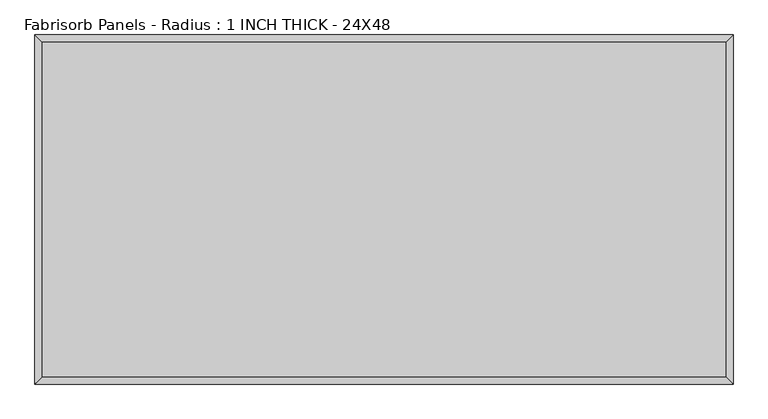
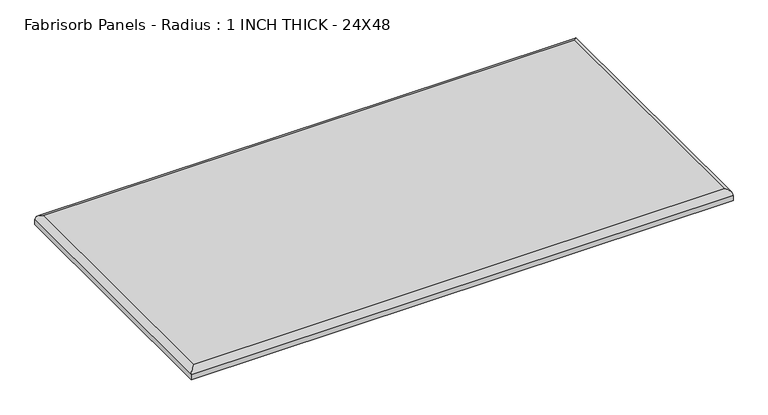
"""IFC4 building model written with IfcOpenShell, lengths in millimetres: proxy geometry, Fabrisorb Panels - Radius : 1 INCH THICK - 24X48."""

from ifc_helpers import new_model, si_unit, frame, origin, place, context, project, spatial, ellipse_curve, source, transform, mapped, element, save
from ifc_brep_helpers import plane_surface, cylinder_surface, advanced_brep


def fabrisorb_panels_radius_1_inch_thick_24x48_69f6940f(model_context):
    return source(origin(), model_context, "Body", "AdvancedBrep", [
        advanced_brep(
        [(596.9, 292.1, 25.4), (-596.9, 292.1, 25.4), (-596.9, -292.1, 25.4), (596.9, -292.1, 25.4), (-609.6, 304.8, 0.0), (609.6, 304.8, 0.0), (609.6, -304.8, 0.0), (-609.6, -304.8, 0.0), (-609.6, -304.8, 12.7), (-609.6, 304.8, 12.7), (609.6, -304.8, 12.7), (609.6, 304.8, 12.7)],
        [
            (0, 1),
            (1, 2),
            (2, 3),
            (3, 0),
            (4, 5),
            (5, 6),
            (6, 7),
            (7, 4),
            (7, 8),
            (8, 9),
            (9, 4),
            (6, 10),
            (10, 8),
            (5, 11),
            (11, 10),
            (9, 11),
            (9, 1, ellipse_curve(frame((-596.9, 292.1, 12.7), z_axis=(0.7071067811865478, 0.7071067811865474, 0.0), x_axis=(-0.7071067811865471, 0.7071067811865479, 0.0)), 17.9605122, 12.7)),
            (0, 11, ellipse_curve(frame((596.9, 292.1, 12.7), z_axis=(-0.7071067811865474, 0.7071067811865477, 0.0), x_axis=(-0.7071067811865478, -0.7071067811865474, 0.0)), 17.9605122, 12.7)),
            (8, 2, ellipse_curve(frame((-596.9, -292.1, 12.7), z_axis=(-0.7071067811865472, 0.7071067811865477, 0.0), x_axis=(-0.7071067811865476, -0.7071067811865475, 0.0)), 17.9605122, 12.7)),
            (10, 3, ellipse_curve(frame((596.9, -292.1, 12.7), z_axis=(-0.7071067811865477, -0.7071067811865474, 0.0), x_axis=(0.7071067811865474, -0.7071067811865476, 0.0)), 17.9605122, 12.7)),
        ],
        [
            plane_surface(frame((-609.6, 304.8, 25.4), z_axis=(0.0, 0.0, 1.0), x_axis=(0.0, -1.0, 0.0))),
            plane_surface(frame((-609.6, 304.8, 0.0), z_axis=(0.0, 0.0, -1.0), x_axis=(0.0, 1.0, 0.0))),
            plane_surface(frame((-609.6, 304.8, 25.4), z_axis=(-1.0, 0.0, 0.0), x_axis=(0.0, 0.0, -1.0))),
            plane_surface(frame((-609.6, -304.8, 25.4), z_axis=(0.0, -1.0, 0.0), x_axis=(0.0, 0.0, -1.0))),
            plane_surface(frame((609.6, -304.8, 25.4), z_axis=(1.0, 0.0, 0.0), x_axis=(0.0, 0.0, -1.0))),
            plane_surface(frame((609.6, 304.8, 25.4), z_axis=(0.0, 1.0, 0.0), x_axis=(0.0, 0.0, -1.0))),
            cylinder_surface(frame((609.6, 292.1, 12.7), z_axis=(-1.0, 0.0, 0.0), x_axis=(0.0, 1.0, 0.0)), 12.7),
            cylinder_surface(frame((-596.9, 304.8, 12.7), z_axis=(0.0, -1.0, 0.0), x_axis=(-1.0, 0.0, 0.0)), 12.7),
            cylinder_surface(frame((-609.6, -292.1, 12.7), z_axis=(1.0, 0.0, 0.0), x_axis=(0.0, -1.0, 0.0)), 12.7),
            cylinder_surface(frame((596.9, -304.8, 12.7), z_axis=(0.0, 1.0, 0.0), x_axis=(1.0, 0.0, 0.0)), 12.7),
        ],
        [
            (0, [[1, 2, 3, 4]]),
            (1, [[5, 6, 7, 8]]),
            (2, [[-8, 9, 10, 11]]),
            (3, [[-7, 12, 13, -9]]),
            (4, [[-6, 14, 15, -12]]),
            (5, [[-5, -11, 16, -14]]),
            (6, [[17, -1, 18, -16]]),
            (7, [[-17, -10, 19, -2]]),
            (8, [[-19, -13, 20, -3]]),
            (9, [[-18, -4, -20, -15]]),
        ],
    ),
    ])


if __name__ == "__main__":
    model = new_model("IFC4")
    model_context = context("Model", 3, world=origin())
    ifc_project = project(units=[si_unit("LENGTHUNIT", "METRE", prefix="MILLI")], contexts=[model_context])
    site = spatial("IfcSite", under=ifc_project)
    building = spatial("IfcBuilding", under=site)
    placement = place(None, origin())
    fabrisorb_panels_radius_1_inch_thick_24x48_shape = fabrisorb_panels_radius_1_inch_thick_24x48_69f6940f(model_context)
    element("IfcBuildingElementProxy", 1, Name="Fabrisorb Panels - Radius : 1 INCH THICK - 24X48", ObjectType="Fabrisorb Panels - Radius : 1 INCH THICK - 24X48", at=placement, inside=building, context=model_context, shape_type="MappedRepresentation", body=[
        mapped(fabrisorb_panels_radius_1_inch_thick_24x48_shape, transform((0.0, 0.0, 0.0), x_axis=(1.0, 0.0, 0.0), y_axis=(0.0, 1.0, 0.0), z_axis=(0.0, 0.0, 1.0))),
    ])
    save(model, "model.ifc")
